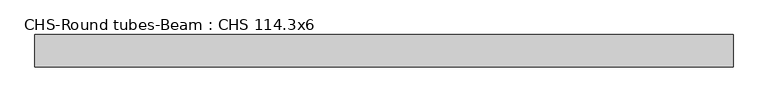
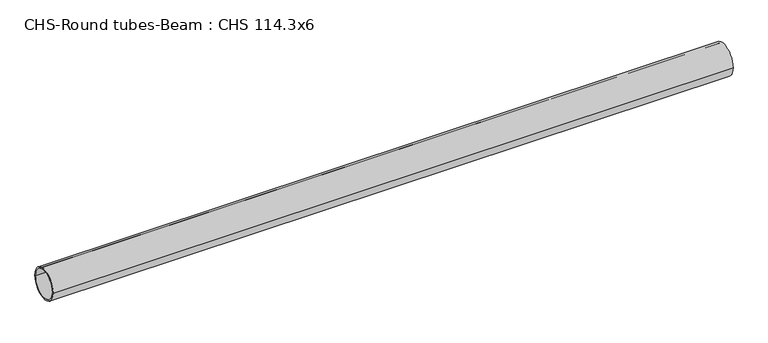
"""IFC4 building model written with IfcOpenShell, lengths in millimetres: beam geometry, CHS-Round tubes-Beam : CHS 114.3x6."""

from ifc_helpers import new_model, si_unit, point, frame, origin, origin_2d, place, context, project, spatial, circle_curve, trimmed, segment, composite_curve, outline, extrude, source, transform, mapped, element, save


def chs_round_tubes_beam_chs_114_3x6_b629fa02(model_context):
    return source(origin(), model_context, "Body", "SweptSolid", [
        extrude(outline(composite_curve([segment(trimmed(circle_curve(origin_2d(), 57.15), [point((57.15, 0.0))], [point((-57.15, 0.0))], False, "CARTESIAN"), True, "CONTINUOUS"), segment(trimmed(circle_curve(origin_2d(), 57.15), [point((-57.15, 0.0))], [point((57.15, 0.0))], False, "CARTESIAN"), True, "CONTINUOUS")], self_intersect=False), holes=[composite_curve([segment(trimmed(circle_curve(origin_2d(), 51.15), [point((51.15, 0.0))], [point((-51.15, 0.0))], True, "CARTESIAN"), True, "CONTINUOUS"), segment(trimmed(circle_curve(origin_2d(), 51.15), [point((-51.15, 0.0))], [point((51.15, 0.0))], True, "CARTESIAN"), True, "CONTINUOUS")], self_intersect=False)]), frame((-1182.8019836, 0.0, 0.0), z_axis=(1.0, 0.0, 0.0), x_axis=(0.0, 1.0, 0.0)), (0.0, 0.0, 1.0), 2468.6341074),
    ])


if __name__ == "__main__":
    model = new_model("IFC4")
    model_context = context("Model", 3, world=origin())
    ifc_project = project(units=[si_unit("LENGTHUNIT", "METRE", prefix="MILLI")], contexts=[model_context])
    site = spatial("IfcSite", under=ifc_project)
    building = spatial("IfcBuilding", under=site)
    placement = place(None, origin())
    chs_round_tubes_beam_chs_114_3x6_shape = chs_round_tubes_beam_chs_114_3x6_b629fa02(model_context)
    element("IfcBeam", 1, ObjectType="CHS-Round tubes-Beam : CHS 114.3x6", at=placement, inside=building, context=model_context, shape_type="MappedRepresentation", body=[
        mapped(chs_round_tubes_beam_chs_114_3x6_shape, transform((0.0, 0.0, 0.0), x_axis=(1.0, 0.0, 0.0), y_axis=(0.0, 1.0, 0.0), z_axis=(0.0, 0.0, 1.0))),
    ])
    save(model, "model.ifc")
